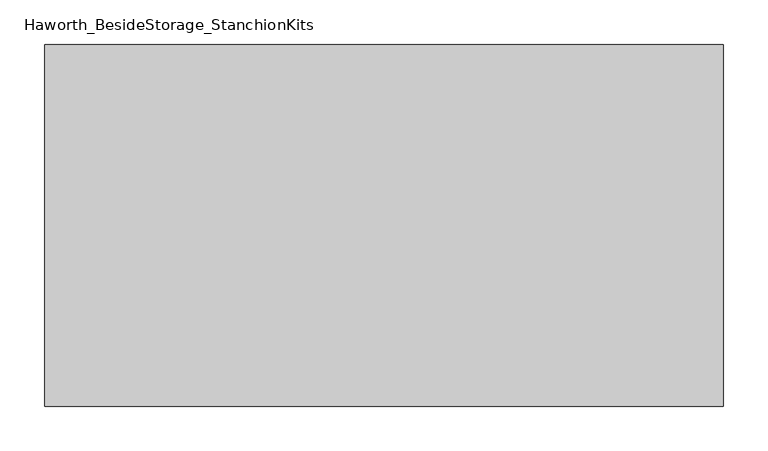
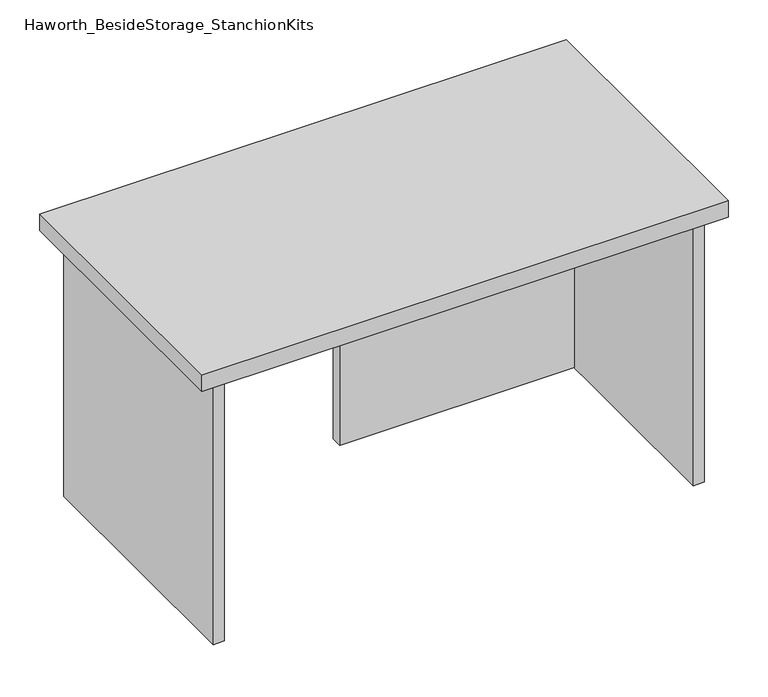
"""IFC4 building model written with IfcOpenShell, lengths in millimetres: furniture geometry, Haworth_BesideStorage_StanchionKits."""

import ifcopenshell
import ifcopenshell.guid

model = None  # the IFC model being written
_history = None  # IfcOwnerHistory: only IFC2X3 demands one
_inside = {}  # id of a spatial element -> (the spatial element, [elements in it])
_under = {}  # id of a project, library or spatial element -> (it, [spatial elements below it])
_declared = {}  # id of a project -> (the project, [libraries it declares])
_typed = {}  # id of a type object -> (the type object, [elements of that type])
_made_of = {}  # id of a material, layer set ... -> (it, [elements and type objects made of it])


def new_model(schema):
    """Start an empty IFC model of exactly this schema.

    Asked for "IFC4X3", IfcOpenShell would pick the latest addendum, in which some entities
    have other attributes; the version numbers below select the first issue.
    IFC2X3 requires an IfcOwnerHistory on every rooted entity: one is made here for all.
    """
    global model, _history
    if schema == "IFC4X3":
        model = ifcopenshell.file(schema_version=(4, 3, 0, 0))
    else:
        model = ifcopenshell.file(schema=schema)
    _inside.clear()
    _under.clear()
    _declared.clear()
    _typed.clear()
    _made_of.clear()
    _history = None
    if model.schema == "IFC2X3":
        org = make("IfcOrganization", Name="unknown")
        user = make(
            "IfcPersonAndOrganization",
            ThePerson=make("IfcPerson", FamilyName="unknown"),
            TheOrganization=org,
        )
        app = make(
            "IfcApplication",
            ApplicationDeveloper=org,
            Version="unknown",
            ApplicationFullName="unknown",
            ApplicationIdentifier="unknown",
        )
        _history = make(
            "IfcOwnerHistory",
            OwningUser=user,
            OwningApplication=app,
            ChangeAction="ADDED",
            CreationDate=0,
        )
    return model


def make(cls, **values):
    """One entity of the class cls with the attributes given. An attribute that is None is left unset."""
    return model.create_entity(
        cls, **{name: value for name, value in values.items() if value is not None}
    )


def rooted(cls, **values):
    """An entity with a GlobalId (a new one), such as an element, a storey or a relation."""
    return make(cls, GlobalId=ifcopenshell.guid.new(), OwnerHistory=_history, **values)


def si_unit(unit_type, name, prefix=None):
    """IfcSIUnit, for example si_unit("LENGTHUNIT", "METRE", prefix="MILLI")."""
    return make("IfcSIUnit", UnitType=unit_type, Prefix=prefix, Name=name)


def assignment(units):
    """IfcUnitAssignment: the units of a project."""
    return None if units is None else make("IfcUnitAssignment", Units=units)


def point(xyz):
    """IfcCartesianPoint."""
    return None if xyz is None else make("IfcCartesianPoint", Coordinates=xyz)


def direction(xyz):
    """IfcDirection."""
    return None if xyz is None else make("IfcDirection", DirectionRatios=xyz)


def frame(location, z_axis=None, x_axis=None):
    """IfcAxis2Placement3D, a coordinate frame: its origin and axes. An axis left out is left unset."""
    return make(
        "IfcAxis2Placement3D",
        Location=point(location),
        Axis=direction(z_axis),
        RefDirection=direction(x_axis),
    )


def origin():
    """The frame at (0, 0, 0) with its axes left unset."""
    return frame((0.0, 0.0, 0.0))


def place(relative_to, where):
    """IfcLocalPlacement: puts the frame where relative to a parent placement (None: the world)."""
    return make(
        "IfcLocalPlacement", PlacementRelTo=relative_to, RelativePlacement=where
    )


def context(
    kind, dimensions, precision=None, world=None, true_north=None, identifier=None
):
    """IfcGeometricRepresentationContext, for example the 3D "Model" context."""
    return make(
        "IfcGeometricRepresentationContext",
        ContextIdentifier=identifier,
        ContextType=kind,
        CoordinateSpaceDimension=dimensions,
        Precision=precision,
        WorldCoordinateSystem=world,
        TrueNorth=true_north,
    )


def project(units=None, contexts=None):
    """IfcProject with its units and contexts."""
    return rooted(
        "IfcProject",
        Name="project",
        RepresentationContexts=contexts,
        UnitsInContext=assignment(units),
    )


def spatial(cls, under=None, at=None, **own):
    """A site, building, storey or space (cls), placed at a placement, below another one or the project."""
    s = rooted(cls, ObjectPlacement=at, **own)
    if under is not None:
        _under.setdefault(under.id(), (under, []))[1].append(s)
    return s


def polyline(points):
    """IfcPolyline through the points."""
    return make("IfcPolyline", Points=[point(p) for p in points])


def outline(outer, holes=None, kind="AREA"):
    """IfcArbitraryClosedProfileDef: a profile drawn as a closed curve; with holes, ...WithVoids."""
    if holes is None:
        return make("IfcArbitraryClosedProfileDef", ProfileType=kind, OuterCurve=outer)
    return make(
        "IfcArbitraryProfileDefWithVoids",
        ProfileType=kind,
        OuterCurve=outer,
        InnerCurves=holes,
    )


def extrude(swept, where, along, depth):
    """IfcExtrudedAreaSolid: the profile swept, set in the frame where, extruded along a direction by depth."""
    return make(
        "IfcExtrudedAreaSolid",
        SweptArea=swept,
        Position=where,
        ExtrudedDirection=direction(along),
        Depth=depth,
    )


def shape(context_of_items, identifier, shape_type, items):
    """IfcShapeRepresentation: the items that make up one representation, for example the "Body"."""
    return make(
        "IfcShapeRepresentation",
        ContextOfItems=context_of_items,
        RepresentationIdentifier=identifier,
        RepresentationType=shape_type,
        Items=items,
    )


def source(mapping_origin, context_of_items, identifier, shape_type, items):
    """IfcRepresentationMap: a shape defined once, which mapped items show again and again."""
    return make(
        "IfcRepresentationMap",
        MappingOrigin=mapping_origin,
        MappedRepresentation=shape(context_of_items, identifier, shape_type, items),
    )


def transform(
    local_origin,
    x_axis=None,
    y_axis=None,
    z_axis=None,
    scale=None,
    scale2=None,
    scale3=None,
    uniform=True,
):
    """IfcCartesianTransformationOperator3D, or its non-uniform kind. x_axis, y_axis, z_axis: its Axis1, 2, 3."""
    if uniform:
        return make(
            "IfcCartesianTransformationOperator3D",
            Axis1=direction(x_axis),
            Axis2=direction(y_axis),
            LocalOrigin=point(local_origin),
            Scale=scale,
            Axis3=direction(z_axis),
        )
    return make(
        "IfcCartesianTransformationOperator3DnonUniform",
        Axis1=direction(x_axis),
        Axis2=direction(y_axis),
        LocalOrigin=point(local_origin),
        Scale=scale,
        Axis3=direction(z_axis),
        Scale2=scale2,
        Scale3=scale3,
    )


def mapped(mapping_source, mapping_target):
    """IfcMappedItem: shows the shape of a source again, moved by a transform."""
    return make(
        "IfcMappedItem", MappingSource=mapping_source, MappingTarget=mapping_target
    )


def made_of(thing, what):
    """Note that an element or type object is made of a material, layer set ...; save() writes the relation."""
    if what is not None:
        _made_of.setdefault(what.id(), (what, []))[1].append(thing)
    return thing


def element(
    cls,
    number,
    at=None,
    inside=None,
    cuts=None,
    type_object=None,
    material=None,
    context=None,
    identifier="Body",
    shape_type=None,
    held_by="IfcProductDefinitionShape",
    body=None,
    shapes=None,
    **own,
):
    """One element of the class cls, such as IfcWall. Its Tag is "e" and its number.

    at: its placement. inside: the storey or other place that contains it. cuts: it is an
    opening in that element (IfcRelVoidsElement). A single representation is given by context,
    identifier, shape_type and body (its items); several are given by shapes. held_by: the class
    of the entity that holds the representations. save() writes the other relations.
    """
    e = rooted(cls, Tag="e%d" % number, ObjectPlacement=at, **own)
    if body is not None:
        shapes = [shape(context, identifier, shape_type, body)]
    if shapes is not None:
        e.Representation = make(held_by, Representations=shapes)
    if inside is not None:
        _inside.setdefault(inside.id(), (inside, []))[1].append(e)
    if cuts is not None:
        rooted(
            "IfcRelVoidsElement", RelatingBuildingElement=cuts, RelatedOpeningElement=e
        )
    if type_object is not None:
        _typed.setdefault(type_object.id(), (type_object, []))[1].append(e)
    return made_of(e, material)


def aggregate(whole, parts):
    """IfcRelAggregates: a whole, such as a stair, and the parts it consists of."""
    return rooted("IfcRelAggregates", RelatingObject=whole, RelatedObjects=parts)


def save(model, path):
    """Write the relations noted so far, then the file.

    IfcRelAggregates (storeys below a building ...), IfcRelContainedInSpatialStructure (elements
    in a storey), IfcRelDefinesByType, IfcRelAssociatesMaterial and IfcRelDeclares: one each for
    every whole, place, type object, material and project.
    """
    for whole, parts in _under.values():
        aggregate(whole, parts)
    for where, things in _inside.values():
        rooted(
            "IfcRelContainedInSpatialStructure",
            RelatedElements=things,
            RelatingStructure=where,
        )
    for kind, things in _typed.values():
        rooted("IfcRelDefinesByType", RelatedObjects=things, RelatingType=kind)
    for what, things in _made_of.values():
        rooted("IfcRelAssociatesMaterial", RelatedObjects=things, RelatingMaterial=what)
    for by, libraries in _declared.values():
        rooted("IfcRelDeclares", RelatingContext=by, RelatedDefinitions=libraries)
    model.write(path)


def haworth_besidestorage_stanchionkits_1e375b54(model_context):
    return source(origin(), model_context, "Body", "SweptSolid", [
        extrude(outline(polyline([(542.925, 0.0), (542.925, -406.4), (-219.075, -406.4), (-219.075, 0.0), (542.925, 0.0)])), frame((0.0, 0.0, 838.2), z_axis=(0.0, 0.0, 1.0), x_axis=(1.0, 0.0, 0.0)), (0.0, 0.0, 1.0), 25.4),
        extrude(outline(polyline([(161.925, -76.2), (501.65, -76.2), (501.65, -92.075), (161.925, -92.075), (161.925, -76.2)])), frame((0.0, 0.0, 431.8), z_axis=(0.0, 0.0, 1.0), x_axis=(1.0, 0.0, 0.0)), (0.0, 0.0, 1.0), 406.4),
        extrude(outline(polyline([(517.525, -390.525), (501.65, -390.525), (501.65, -15.875), (517.525, -15.875), (517.525, -390.525)])), frame((0.0, 0.0, 431.8), z_axis=(0.0, 0.0, 1.0), x_axis=(1.0, 0.0, 0.0)), (0.0, 0.0, 1.0), 406.4),
        extrude(outline(polyline([(-177.8, -390.525), (-193.675, -390.525), (-193.675, -15.875), (-177.8, -15.875), (-177.8, -390.525)])), frame((0.0, 0.0, 431.8), z_axis=(0.0, 0.0, 1.0), x_axis=(1.0, 0.0, 0.0)), (0.0, 0.0, 1.0), 406.4),
    ])


if __name__ == "__main__":
    model = new_model("IFC4")
    model_context = context("Model", 3, world=origin())
    ifc_project = project(units=[si_unit("LENGTHUNIT", "METRE", prefix="MILLI")], contexts=[model_context])
    site = spatial("IfcSite", under=ifc_project)
    building = spatial("IfcBuilding", under=site)
    placement = place(None, origin())
    haworth_besidestorage_stanchionkits_shape = haworth_besidestorage_stanchionkits_1e375b54(model_context)
    element("IfcFurniture", 1, ObjectType="Haworth_BesideStorage_StanchionKits", at=placement, inside=building, context=model_context, shape_type="MappedRepresentation", body=[
        mapped(haworth_besidestorage_stanchionkits_shape, transform((0.0, 0.0, 0.0), x_axis=(1.0, 0.0, 0.0), y_axis=(0.0, 1.0, 0.0), z_axis=(0.0, 0.0, 1.0))),
    ])
    save(model, "model.ifc")
